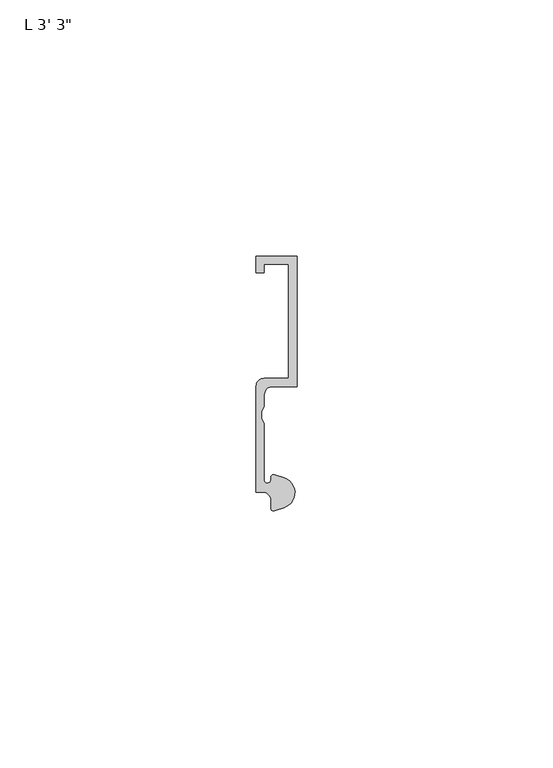
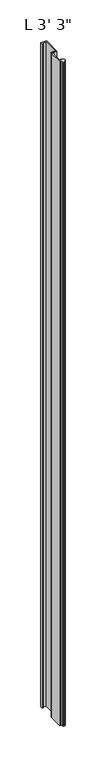
"""IFC4 building model written with IfcOpenShell, lengths in millimetres: proxy geometry."""

from ifc_helpers import new_model, si_unit, point, frame_2d, origin, origin_with_axes, place, context, project, spatial, polyline, circle_curve, trimmed, segment, composite_curve, outline, extrude, source, transform, mapped, element, save


def proxy_61b4bcd6(model_context):
    return source(origin(), model_context, "Body", "SweptSolid", [
        extrude(outline(composite_curve([segment(polyline([(5.4099313, 0.6224223), (3.5749842, 0.0497144)]), True, "CONTINUOUS"), segment(trimmed(circle_curve(frame_2d((3.3646912, 0.4696291)), 0.4696291), [point((3.5749842, 0.0497144))], [point((2.8950622, 0.4696291))], False, "CARTESIAN"), True, "CONTINUOUS"), segment(polyline([(2.8950622, 0.4696291), (2.8950622, 2.0112392)]), True, "CONTINUOUS"), segment(trimmed(circle_curve(frame_2d((1.3075622, 2.0112392)), 1.5875), [point((2.8950622, 2.0112392))], [point((1.3075622, 3.5987392))], True, "CARTESIAN"), True, "CONTINUOUS"), segment(polyline([(1.3075622, 3.5987392), (0.0, 3.5987392), (0.0, 24.2362392)]), True, "CONTINUOUS"), segment(trimmed(circle_curve(frame_2d((1.5875, 24.2362392)), 1.5875), [point((0.0, 24.2362392))], [point((1.5875, 25.8237392))], False, "CARTESIAN"), True, "CONTINUOUS"), segment(polyline([(1.5875, 25.8237392), (6.35, 25.8237392), (6.35, 48.0300641), (1.5875, 48.0300641), (1.5875, 46.4425641), (0.0, 46.4425641), (0.0, 49.6175641), (7.9375, 49.6175641), (7.9375, 24.2134797), (3.175, 24.2134797)]), True, "CONTINUOUS"), segment(trimmed(circle_curve(frame_2d((3.175, 22.6259797)), 1.5875), [point((3.175, 24.2134797))], [point((1.5875, 22.6259797))], True, "CARTESIAN"), True, "CONTINUOUS"), segment(polyline([(1.5875, 22.6259797), (1.5875, 20.2473512), (1.0783361, 19.3299316), (1.0783361, 17.9897709), (1.5875, 17.0723512), (1.5875, 5.8847392)]), True, "CONTINUOUS"), segment(trimmed(circle_curve(frame_2d((2.0955, 5.8847392)), 0.508), [point((1.5875, 5.8847392))], [point((2.1123834, 5.3770198))], True, "CARTESIAN"), True, "CONTINUOUS"), segment(trimmed(circle_curve(frame_2d((2.1330622, 6.1387392)), 0.762), [point((2.1123834, 5.3770198))], [point((2.8720827, 6.3244611))], True, "CARTESIAN"), True, "CONTINUOUS"), segment(trimmed(circle_curve(frame_2d((3.4254762, 6.4635334)), 0.5706009), [point((2.8720827, 6.3244611))], [point((3.6135887, 7.0022347))], False, "CARTESIAN"), True, "CONTINUOUS"), segment(polyline([(3.6135887, 7.0022347), (5.4099313, 6.4415757)]), True, "CONTINUOUS"), segment(trimmed(circle_curve(frame_2d((4.5018192, 3.531999)), 3.048), [point((5.4099313, 6.4415757))], [point((7.1037699, 1.944499))], False, "CARTESIAN"), True, "CONTINUOUS"), segment(trimmed(circle_curve(frame_2d((4.5018192, 3.531999)), 3.048), [point((7.1037699, 1.944499))], [point((5.4099313, 0.6224223))], False, "CARTESIAN"), True, "CONTINUOUS")], self_intersect=False)), origin_with_axes(), (0.0, 0.0, 1.0), 990.6),
    ])


if __name__ == "__main__":
    model = new_model("IFC4")
    model_context = context("Model", 3, world=origin())
    ifc_project = project(units=[si_unit("LENGTHUNIT", "METRE", prefix="MILLI")], contexts=[model_context])
    site = spatial("IfcSite", under=ifc_project)
    building = spatial("IfcBuilding", under=site)
    placement = place(None, origin())
    proxy_shape = proxy_61b4bcd6(model_context)
    element("IfcBuildingElementProxy", 1, Name="L 3' 3\"", ObjectType="L 3' 3\"", at=placement, inside=building, context=model_context, shape_type="MappedRepresentation", body=[
        mapped(proxy_shape, transform((0.0, 0.0, 0.0), x_axis=(1.0, 0.0, 0.0), y_axis=(0.0, 1.0, 0.0), z_axis=(0.0, 0.0, 1.0))),
    ])
    save(model, "model.ifc")
